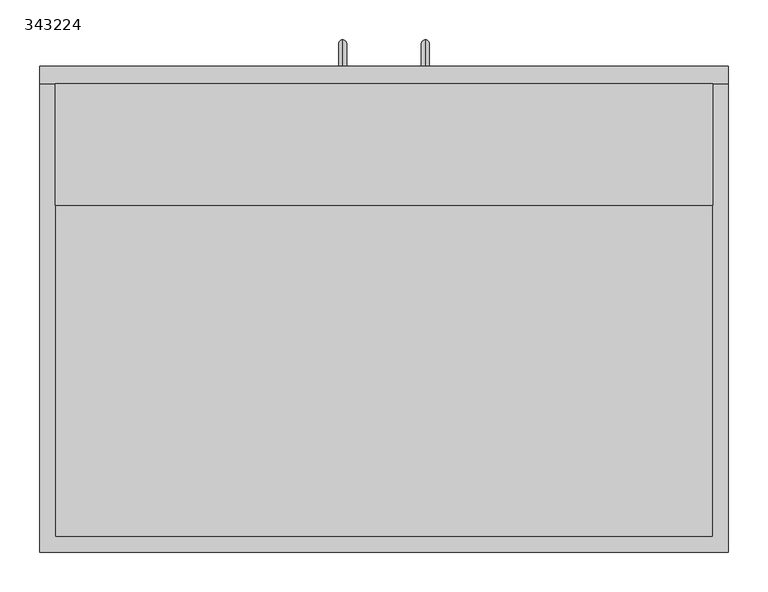
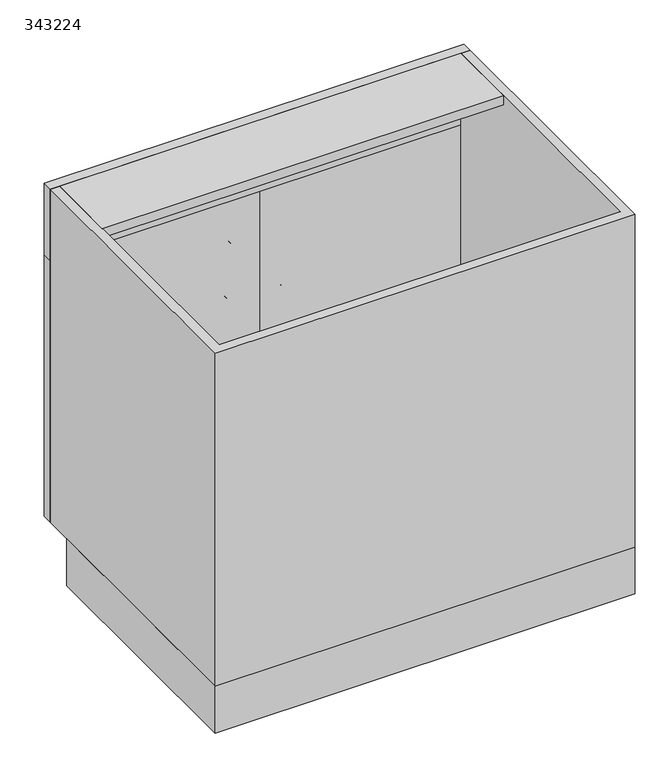
"""IFC4 building model written with IfcOpenShell, lengths in millimetres: furniture geometry, 343224."""

from ifc_helpers import new_model, si_unit, frame, origin, origin_with_axes, place, context, project, spatial, polyline, circle_curve, ellipse_curve, outline, extrude, source, transform, mapped, element, save
from ifc_brep_helpers import plane_surface, cylinder_surface, advanced_brep


def furniture_343224_0d3d87a1(model_context):
    return source(origin(), model_context, "Body", "SolidModel", [
        extrude(outline(polyline([(-413.0622951, 0.0), (-413.0622951, 528.6), (450.5377049, 528.6), (450.5377049, 0.0), (-413.0622951, 0.0)]), holes=[polyline([(-393.8622951, 509.4), (-393.8622951, 19.2), (431.3377049, 19.2), (431.3377049, 509.4), (-393.8622951, 509.4)])]), origin_with_axes(), (0.0, 0.0, 1.0), 101.6),
        extrude(outline(polyline([(431.3377049, 435.2), (-393.8622951, 435.2), (-393.8622951, 587.6), (431.3377049, 587.6), (431.3377049, 435.2)])), frame((0.0, 0.0, 806.3), z_axis=(0.0, 0.0, 1.0), x_axis=(1.0, 0.0, 0.0)), (0.0, 0.0, 1.0), 19.2),
        extrude(outline(polyline([(431.3377049, 587.6), (431.3377049, 19.2), (-393.8622951, 19.2), (-393.8622951, 587.6), (431.3377049, 587.6)])), frame((0.0, 0.0, 101.6), z_axis=(0.0, 0.0, 1.0), x_axis=(1.0, 0.0, 0.0)), (0.0, 0.0, 1.0), 19.2),
        advanced_brep(
        [(70.7377049, 609.6, 552.925), (70.7377049, 609.6, 562.925), (70.7377049, 642.6, 562.925), (70.7377049, 632.6, 552.925), (70.7377049, 642.6, 424.925), (70.7377049, 632.6, 434.925), (70.7377049, 609.6, 434.925), (70.7377049, 609.6, 424.925)],
        [
            (0, 1, circle_curve(frame((70.7377049, 609.6, 557.925), z_axis=(0.0, -1.0, 0.0), x_axis=(0.0, 0.0, 1.0)), 5.0)),
            (1, 0, circle_curve(frame((70.7377049, 609.6, 557.925), z_axis=(0.0, -1.0, 0.0), x_axis=(0.0, 0.0, 1.0)), 5.0)),
            (1, 2),
            (2, 3, ellipse_curve(frame((70.7377049, 637.6, 557.925), z_axis=(0.0, -0.7071067811865475, 0.7071067811865475), x_axis=(0.0, -0.7071067811865476, -0.7071067811865474)), 7.0710678, 5.0)),
            (3, 0),
            (3, 2, ellipse_curve(frame((70.7377049, 637.6, 557.925), z_axis=(0.0, -0.7071067811865475, 0.7071067811865475), x_axis=(0.0, -0.7071067811865476, -0.7071067811865474)), 7.0710678, 5.0)),
            (2, 4),
            (4, 5, ellipse_curve(frame((70.7377049, 637.6, 429.925), z_axis=(0.0, 0.7071067811865475, 0.7071067811865475), x_axis=(0.0, -0.7071067811865474, 0.7071067811865476)), 7.0710678, 5.0)),
            (5, 3),
            (5, 4, ellipse_curve(frame((70.7377049, 637.6, 429.925), z_axis=(0.0, 0.7071067811865475, 0.7071067811865475), x_axis=(0.0, -0.7071067811865474, 0.7071067811865476)), 7.0710678, 5.0)),
            (6, 7, circle_curve(frame((70.7377049, 609.6, 429.925), z_axis=(0.0, -1.0, 0.0), x_axis=(0.0, 0.0, -1.0)), 5.0)),
            (7, 6, circle_curve(frame((70.7377049, 609.6, 429.925), z_axis=(0.0, -1.0, 0.0), x_axis=(0.0, 0.0, -1.0)), 5.0)),
            (4, 7),
            (6, 5),
        ],
        [
            plane_surface(frame((70.7377049, 609.6, 557.925), z_axis=(0.0, -1.0, 0.0), x_axis=(-1.0, 0.0, 0.0))),
            cylinder_surface(frame((70.7377049, 609.6, 557.925), z_axis=(0.0, -1.0, 0.0), x_axis=(0.0, 0.0, 1.0)), 5.0),
            cylinder_surface(frame((70.7377049, 637.6, 557.925), z_axis=(0.0, 0.0, 1.0), x_axis=(0.0, 1.0, 0.0)), 5.0),
            plane_surface(frame((70.7377049, 609.6, 429.925), z_axis=(0.0, -1.0, 0.0), x_axis=(-1.0, 0.0, 0.0))),
            cylinder_surface(frame((70.7377049, 637.6, 429.925), z_axis=(0.0, 1.0, 0.0), x_axis=(0.0, 0.0, -1.0)), 5.0),
        ],
        [
            (0, [[1, 2]]),
            (1, [[3, 4, 5, -2]]),
            (1, [[-5, 6, -3, -1]]),
            (2, [[7, 8, 9, -4]]),
            (2, [[-9, 10, -7, -6]]),
            (3, [[11, 12]]),
            (4, [[13, -11, 14, -8]]),
            (4, [[-14, -12, -13, -10]]),
        ],
    ),
        advanced_brep(
        [(-33.2622951, 609.6, 562.925), (-33.2622951, 609.6, 552.925), (-33.2622951, 632.6, 552.925), (-33.2622951, 642.6, 562.925), (-33.2622951, 632.6, 434.925), (-33.2622951, 642.6, 424.925), (-33.2622951, 609.6, 424.925), (-33.2622951, 609.6, 434.925)],
        [
            (0, 1, circle_curve(frame((-33.2622951, 609.6, 557.925), z_axis=(0.0, -1.0, 0.0), x_axis=(0.0, 0.0, -1.0)), 5.0)),
            (1, 0, circle_curve(frame((-33.2622951, 609.6, 557.925), z_axis=(0.0, -1.0, 0.0), x_axis=(0.0, 0.0, -1.0)), 5.0)),
            (1, 2),
            (2, 3, ellipse_curve(frame((-33.2622951, 637.6, 557.925), z_axis=(0.0, -0.7071067811865475, 0.7071067811865475), x_axis=(0.0, -0.7071067811865476, -0.7071067811865474)), 7.0710678, 5.0)),
            (3, 0),
            (3, 2, ellipse_curve(frame((-33.2622951, 637.6, 557.925), z_axis=(0.0, -0.7071067811865475, 0.7071067811865475), x_axis=(0.0, -0.7071067811865476, -0.7071067811865474)), 7.0710678, 5.0)),
            (2, 4),
            (4, 5, ellipse_curve(frame((-33.2622951, 637.6, 429.925), z_axis=(0.0, 0.7071067811865475, 0.7071067811865475), x_axis=(0.0, -0.7071067811865474, 0.7071067811865476)), 7.0710678, 5.0)),
            (5, 3),
            (5, 4, ellipse_curve(frame((-33.2622951, 637.6, 429.925), z_axis=(0.0, 0.7071067811865475, 0.7071067811865475), x_axis=(0.0, -0.7071067811865474, 0.7071067811865476)), 7.0710678, 5.0)),
            (6, 7, circle_curve(frame((-33.2622951, 609.6, 429.925), z_axis=(0.0, -1.0, 0.0), x_axis=(0.0, 0.0, 1.0)), 5.0)),
            (7, 6, circle_curve(frame((-33.2622951, 609.6, 429.925), z_axis=(0.0, -1.0, 0.0), x_axis=(0.0, 0.0, 1.0)), 5.0)),
            (4, 7),
            (6, 5),
        ],
        [
            plane_surface(frame((-33.2622951, 609.6, 557.925), z_axis=(0.0, -1.0, 0.0), x_axis=(1.0, 0.0, 0.0))),
            cylinder_surface(frame((-33.2622951, 609.6, 557.925), z_axis=(0.0, -1.0, 0.0), x_axis=(0.0, 0.0, -1.0)), 5.0),
            cylinder_surface(frame((-33.2622951, 637.6, 557.925), z_axis=(0.0, 0.0, 1.0), x_axis=(0.0, -1.0, 0.0)), 5.0),
            plane_surface(frame((-33.2622951, 609.6, 429.925), z_axis=(0.0, -1.0, 0.0), x_axis=(1.0, 0.0, 0.0))),
            cylinder_surface(frame((-33.2622951, 637.6, 429.925), z_axis=(0.0, 1.0, 0.0), x_axis=(0.0, 0.0, 1.0)), 5.0),
        ],
        [
            (0, [[1, 2]]),
            (1, [[3, 4, 5, -2]]),
            (1, [[-5, 6, -3, -1]]),
            (2, [[7, 8, 9, -4]]),
            (2, [[-9, 10, -7, -6]]),
            (3, [[11, 12]]),
            (4, [[13, -11, 14, -8]]),
            (4, [[-14, -12, -13, -10]]),
        ],
    ),
        extrude(outline(polyline([(450.5377049, 587.6), (-413.0622951, 587.6), (-413.0622951, 609.6), (450.5377049, 609.6), (450.5377049, 587.6)])), frame((0.0, 0.0, 669.925), z_axis=(0.0, 0.0, 1.0), x_axis=(1.0, 0.0, 0.0)), (0.0, 0.0, 1.0), 155.575),
        extrude(outline(polyline([(18.7377049, 587.6), (18.7377049, 609.6), (450.5377049, 609.6), (450.5377049, 587.6), (18.7377049, 587.6)])), frame((0.0, 0.0, 101.6), z_axis=(0.0, 0.0, 1.0), x_axis=(1.0, 0.0, 0.0)), (0.0, 0.0, 1.0), 568.325),
        extrude(outline(polyline([(-413.0622951, 587.6), (-413.0622951, 609.6), (18.7377049, 609.6), (18.7377049, 587.6), (-413.0622951, 587.6)])), frame((0.0, 0.0, 101.6), z_axis=(0.0, 0.0, 1.0), x_axis=(1.0, 0.0, 0.0)), (0.0, 0.0, 1.0), 568.325),
        extrude(outline(polyline([(450.5377049, 587.6), (450.5377049, 0.0), (-413.0622951, 0.0), (-413.0622951, 587.6), (-393.8622951, 587.6), (-393.8622951, 19.2), (431.3377049, 19.2), (431.3377049, 587.6), (450.5377049, 587.6)])), frame((0.0, 0.0, 101.6), z_axis=(0.0, 0.0, 1.0), x_axis=(1.0, 0.0, 0.0)), (0.0, 0.0, 1.0), 723.9),
    ])


if __name__ == "__main__":
    model = new_model("IFC4")
    model_context = context("Model", 3, world=origin())
    ifc_project = project(units=[si_unit("LENGTHUNIT", "METRE", prefix="MILLI")], contexts=[model_context])
    site = spatial("IfcSite", under=ifc_project)
    building = spatial("IfcBuilding", under=site)
    placement = place(None, origin())
    furniture_343224_shape = furniture_343224_0d3d87a1(model_context)
    element("IfcFurniture", 1, ObjectType="343224", at=placement, inside=building, context=model_context, shape_type="MappedRepresentation", body=[
        mapped(furniture_343224_shape, transform((0.0, 0.0, 0.0), x_axis=(1.0, 0.0, 0.0), y_axis=(0.0, 1.0, 0.0), z_axis=(0.0, 0.0, 1.0))),
    ])
    save(model, "model.ifc")
